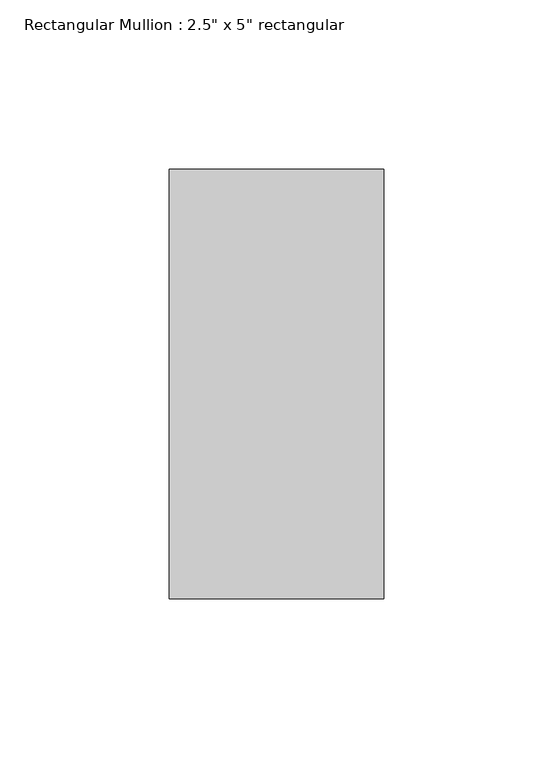
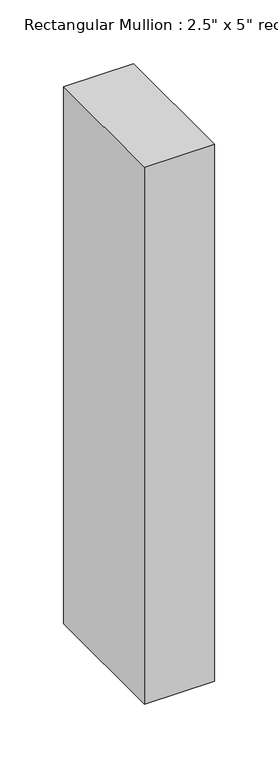
"""IFC4 building model written with IfcOpenShell, lengths in millimetres: member geometry."""

from ifc_helpers import new_model, si_unit, frame, origin, place, context, project, spatial, polyline, outline, extrude, source, transform, mapped, element, save


def member_7d5a88f7(model_context):
    return source(origin(), model_context, "Body", "SweptSolid", [
        extrude(outline(polyline([(0.0, 63.5), (0.0, -63.5), (-63.5, -63.5), (-63.5, 63.5), (0.0, 63.5)])), frame((0.0, 0.0, -514.3500003), z_axis=(0.0, 0.0, 1.0), x_axis=(1.0, 0.0, 0.0)), (0.0, 0.0, 1.0), 514.3500003),
    ])


if __name__ == "__main__":
    model = new_model("IFC4")
    model_context = context("Model", 3, world=origin())
    ifc_project = project(units=[si_unit("LENGTHUNIT", "METRE", prefix="MILLI")], contexts=[model_context])
    site = spatial("IfcSite", under=ifc_project)
    building = spatial("IfcBuilding", under=site)
    placement = place(None, origin())
    member_shape = member_7d5a88f7(model_context)
    element("IfcMember", 1, ObjectType="Rectangular Mullion : 2.5\" x 5\" rectangular", at=placement, inside=building, context=model_context, shape_type="MappedRepresentation", body=[
        mapped(member_shape, transform((0.0, 0.0, 0.0), x_axis=(1.0, 0.0, 0.0), y_axis=(0.0, 1.0, 0.0), z_axis=(0.0, 0.0, 1.0))),
    ])
    save(model, "model.ifc")
